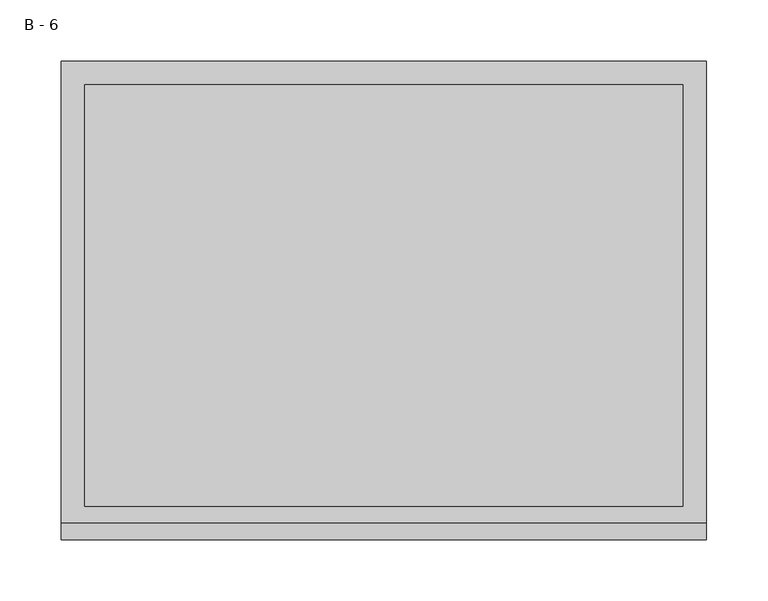
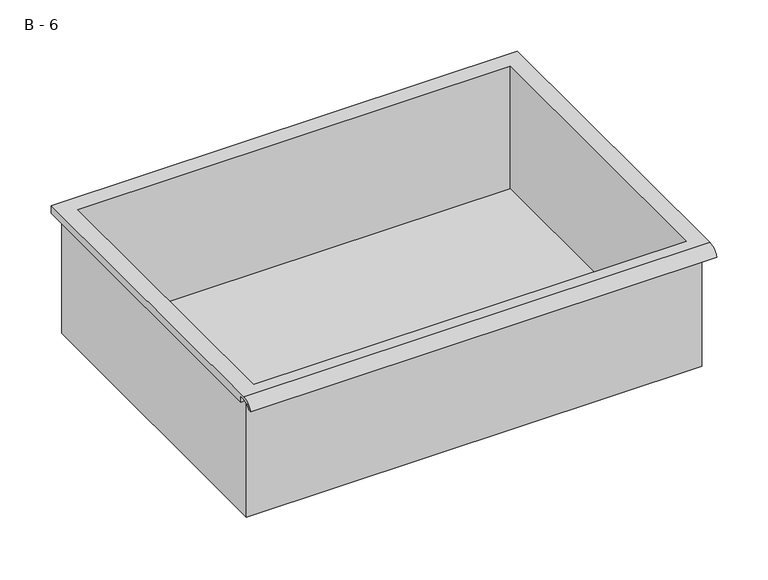
"""IFC4 building model written with IfcOpenShell, lengths in millimetres: furniture geometry, B - 6."""

import ifcopenshell
import ifcopenshell.guid

model = None  # the IFC model being written
_history = None  # IfcOwnerHistory: only IFC2X3 demands one
_inside = {}  # id of a spatial element -> (the spatial element, [elements in it])
_under = {}  # id of a project, library or spatial element -> (it, [spatial elements below it])
_declared = {}  # id of a project -> (the project, [libraries it declares])
_typed = {}  # id of a type object -> (the type object, [elements of that type])
_made_of = {}  # id of a material, layer set ... -> (it, [elements and type objects made of it])


def new_model(schema):
    """Start an empty IFC model of exactly this schema.

    Asked for "IFC4X3", IfcOpenShell would pick the latest addendum, in which some entities
    have other attributes; the version numbers below select the first issue.
    IFC2X3 requires an IfcOwnerHistory on every rooted entity: one is made here for all.
    """
    global model, _history
    if schema == "IFC4X3":
        model = ifcopenshell.file(schema_version=(4, 3, 0, 0))
    else:
        model = ifcopenshell.file(schema=schema)
    _inside.clear()
    _under.clear()
    _declared.clear()
    _typed.clear()
    _made_of.clear()
    _history = None
    if model.schema == "IFC2X3":
        org = make("IfcOrganization", Name="unknown")
        user = make(
            "IfcPersonAndOrganization",
            ThePerson=make("IfcPerson", FamilyName="unknown"),
            TheOrganization=org,
        )
        app = make(
            "IfcApplication",
            ApplicationDeveloper=org,
            Version="unknown",
            ApplicationFullName="unknown",
            ApplicationIdentifier="unknown",
        )
        _history = make(
            "IfcOwnerHistory",
            OwningUser=user,
            OwningApplication=app,
            ChangeAction="ADDED",
            CreationDate=0,
        )
    return model


def make(cls, **values):
    """One entity of the class cls with the attributes given. An attribute that is None is left unset."""
    return model.create_entity(
        cls, **{name: value for name, value in values.items() if value is not None}
    )


def rooted(cls, **values):
    """An entity with a GlobalId (a new one), such as an element, a storey or a relation."""
    return make(cls, GlobalId=ifcopenshell.guid.new(), OwnerHistory=_history, **values)


def si_unit(unit_type, name, prefix=None):
    """IfcSIUnit, for example si_unit("LENGTHUNIT", "METRE", prefix="MILLI")."""
    return make("IfcSIUnit", UnitType=unit_type, Prefix=prefix, Name=name)


def assignment(units):
    """IfcUnitAssignment: the units of a project."""
    return None if units is None else make("IfcUnitAssignment", Units=units)


def point(xyz):
    """IfcCartesianPoint."""
    return None if xyz is None else make("IfcCartesianPoint", Coordinates=xyz)


def direction(xyz):
    """IfcDirection."""
    return None if xyz is None else make("IfcDirection", DirectionRatios=xyz)


def frame(location, z_axis=None, x_axis=None):
    """IfcAxis2Placement3D, a coordinate frame: its origin and axes. An axis left out is left unset."""
    return make(
        "IfcAxis2Placement3D",
        Location=point(location),
        Axis=direction(z_axis),
        RefDirection=direction(x_axis),
    )


def origin():
    """The frame at (0, 0, 0) with its axes left unset."""
    return frame((0.0, 0.0, 0.0))


def place(relative_to, where):
    """IfcLocalPlacement: puts the frame where relative to a parent placement (None: the world)."""
    return make(
        "IfcLocalPlacement", PlacementRelTo=relative_to, RelativePlacement=where
    )


def context(
    kind, dimensions, precision=None, world=None, true_north=None, identifier=None
):
    """IfcGeometricRepresentationContext, for example the 3D "Model" context."""
    return make(
        "IfcGeometricRepresentationContext",
        ContextIdentifier=identifier,
        ContextType=kind,
        CoordinateSpaceDimension=dimensions,
        Precision=precision,
        WorldCoordinateSystem=world,
        TrueNorth=true_north,
    )


def project(units=None, contexts=None):
    """IfcProject with its units and contexts."""
    return rooted(
        "IfcProject",
        Name="project",
        RepresentationContexts=contexts,
        UnitsInContext=assignment(units),
    )


def spatial(cls, under=None, at=None, **own):
    """A site, building, storey or space (cls), placed at a placement, below another one or the project."""
    s = rooted(cls, ObjectPlacement=at, **own)
    if under is not None:
        _under.setdefault(under.id(), (under, []))[1].append(s)
    return s


def polyline(points):
    """IfcPolyline through the points."""
    return make("IfcPolyline", Points=[point(p) for p in points])


def circle_curve(where, radius):
    """IfcCircle in the frame where."""
    return make("IfcCircle", Position=where, Radius=radius)


def shape(context_of_items, identifier, shape_type, items):
    """IfcShapeRepresentation: the items that make up one representation, for example the "Body"."""
    return make(
        "IfcShapeRepresentation",
        ContextOfItems=context_of_items,
        RepresentationIdentifier=identifier,
        RepresentationType=shape_type,
        Items=items,
    )


def source(mapping_origin, context_of_items, identifier, shape_type, items):
    """IfcRepresentationMap: a shape defined once, which mapped items show again and again."""
    return make(
        "IfcRepresentationMap",
        MappingOrigin=mapping_origin,
        MappedRepresentation=shape(context_of_items, identifier, shape_type, items),
    )


def transform(
    local_origin,
    x_axis=None,
    y_axis=None,
    z_axis=None,
    scale=None,
    scale2=None,
    scale3=None,
    uniform=True,
):
    """IfcCartesianTransformationOperator3D, or its non-uniform kind. x_axis, y_axis, z_axis: its Axis1, 2, 3."""
    if uniform:
        return make(
            "IfcCartesianTransformationOperator3D",
            Axis1=direction(x_axis),
            Axis2=direction(y_axis),
            LocalOrigin=point(local_origin),
            Scale=scale,
            Axis3=direction(z_axis),
        )
    return make(
        "IfcCartesianTransformationOperator3DnonUniform",
        Axis1=direction(x_axis),
        Axis2=direction(y_axis),
        LocalOrigin=point(local_origin),
        Scale=scale,
        Axis3=direction(z_axis),
        Scale2=scale2,
        Scale3=scale3,
    )


def mapped(mapping_source, mapping_target):
    """IfcMappedItem: shows the shape of a source again, moved by a transform."""
    return make(
        "IfcMappedItem", MappingSource=mapping_source, MappingTarget=mapping_target
    )


def made_of(thing, what):
    """Note that an element or type object is made of a material, layer set ...; save() writes the relation."""
    if what is not None:
        _made_of.setdefault(what.id(), (what, []))[1].append(thing)
    return thing


def element(
    cls,
    number,
    at=None,
    inside=None,
    cuts=None,
    type_object=None,
    material=None,
    context=None,
    identifier="Body",
    shape_type=None,
    held_by="IfcProductDefinitionShape",
    body=None,
    shapes=None,
    **own,
):
    """One element of the class cls, such as IfcWall. Its Tag is "e" and its number.

    at: its placement. inside: the storey or other place that contains it. cuts: it is an
    opening in that element (IfcRelVoidsElement). A single representation is given by context,
    identifier, shape_type and body (its items); several are given by shapes. held_by: the class
    of the entity that holds the representations. save() writes the other relations.
    """
    e = rooted(cls, Tag="e%d" % number, ObjectPlacement=at, **own)
    if body is not None:
        shapes = [shape(context, identifier, shape_type, body)]
    if shapes is not None:
        e.Representation = make(held_by, Representations=shapes)
    if inside is not None:
        _inside.setdefault(inside.id(), (inside, []))[1].append(e)
    if cuts is not None:
        rooted(
            "IfcRelVoidsElement", RelatingBuildingElement=cuts, RelatedOpeningElement=e
        )
    if type_object is not None:
        _typed.setdefault(type_object.id(), (type_object, []))[1].append(e)
    return made_of(e, material)


def aggregate(whole, parts):
    """IfcRelAggregates: a whole, such as a stair, and the parts it consists of."""
    return rooted("IfcRelAggregates", RelatingObject=whole, RelatedObjects=parts)


def save(model, path):
    """Write the relations noted so far, then the file.

    IfcRelAggregates (storeys below a building ...), IfcRelContainedInSpatialStructure (elements
    in a storey), IfcRelDefinesByType, IfcRelAssociatesMaterial and IfcRelDeclares: one each for
    every whole, place, type object, material and project.
    """
    for whole, parts in _under.values():
        aggregate(whole, parts)
    for where, things in _inside.values():
        rooted(
            "IfcRelContainedInSpatialStructure",
            RelatedElements=things,
            RelatingStructure=where,
        )
    for kind, things in _typed.values():
        rooted("IfcRelDefinesByType", RelatedObjects=things, RelatingType=kind)
    for what, things in _made_of.values():
        rooted("IfcRelAssociatesMaterial", RelatedObjects=things, RelatingMaterial=what)
    for by, libraries in _declared.values():
        rooted("IfcRelDeclares", RelatingContext=by, RelatedDefinitions=libraries)
    model.write(path)


def plane_surface(at):
    """IfcPlane: the flat surface through the origin of the frame at, square to its z axis."""
    return make("IfcPlane", Position=at)


def cylinder_surface(at, radius):
    """IfcCylindricalSurface: all points at the distance radius from the z axis of the frame at."""
    return make("IfcCylindricalSurface", Position=at, Radius=radius)


def revolved_surface(curve, axis_point, axis_direction):
    """IfcSurfaceOfRevolution: the curve turned about the line through axis_point along axis_direction."""
    return make(
        "IfcSurfaceOfRevolution",
        SweptCurve=make("IfcArbitraryOpenProfileDef", ProfileType="CURVE", Curve=curve),
        AxisPosition=make("IfcAxis1Placement", Location=point(axis_point), Axis=direction(axis_direction)),
    )


def advanced_brep(points, edges, surfaces, faces):
    """IfcAdvancedBrep: a solid bounded by faces that lie on surfaces and meet in shared edges.

    An edge is (start, end): straight between two places in points (the first is 0);
    or (start, end, curve); or (start, end, curve, False) where it runs against its curve.
    A face is (place in surfaces, loops), or (place, loops, False) where it looks against
    its surface's normal. A loop lists edges by number (the first is 1), with a minus sign
    where the edge is run from its end to its start. The first loop is the outer one.
    """
    corners = [point(p) for p in points]
    vertices = [make("IfcVertexPoint", VertexGeometry=c) for c in corners]
    made = []
    for start, end, *more in edges:
        made.append(
            make(
                "IfcEdgeCurve",
                EdgeStart=vertices[start],
                EdgeEnd=vertices[end],
                EdgeGeometry=more[0] if more else make("IfcPolyline", Points=[corners[start], corners[end]]),
                SameSense=more[1] if len(more) > 1 else True,
            )
        )
    hull = []
    for where, loops, *sense in faces:
        bounds = []
        for j, loop in enumerate(loops):
            ring = [make("IfcOrientedEdge", EdgeElement=made[abs(k) - 1], Orientation=k > 0) for k in loop]
            bounds.append(
                make(
                    "IfcFaceOuterBound" if j == 0 else "IfcFaceBound",
                    Bound=make("IfcEdgeLoop", EdgeList=ring),
                    Orientation=True,
                )
            )
        hull.append(make("IfcAdvancedFace", Bounds=bounds, FaceSurface=surfaces[where], SameSense=sense[0] if sense else True))
    return make("IfcAdvancedBrep", Outer=make("IfcClosedShell", CfsFaces=hull))


def b_6_4ba1b07e(model_context):
    return source(origin(), model_context, "Body", "AdvancedBrep", [
        advanced_brep(
        [(-257.1076517, -176.2125, 171.1579), (257.2423483, -176.2125, 171.1579), (257.2423483, -176.2125, 310.8579), (263.5923483, -176.2125, 310.8579), (263.5923483, -176.2125, 317.1650341), (-263.4576517, -176.2125, 317.1650341), (-263.4576517, -176.2125, 310.8579), (-257.1076517, -176.2125, 310.8579), (257.2423483, 185.7375, 171.1579), (-257.1076517, 185.7375, 171.1579), (-257.1076517, 185.7375, 310.8579), (257.2423483, 185.7375, 310.8579), (263.5923483, -181.6070544, 320.3829), (263.5923483, 195.2625, 320.3829), (-263.4576517, 195.2625, 320.3829), (-263.4576517, -181.6070544, 320.3829), (244.5423483, -168.275, 320.3829), (-244.4076517, -168.275, 320.3829), (-244.4076517, 176.2125, 320.3829), (244.5423483, 176.2125, 320.3829), (263.5923483, -195.2625, 310.8579), (263.5923483, -191.8280601, 310.8579), (263.5923483, -180.4714815, 317.1650341), (263.5923483, 195.2625, 310.8579), (-263.4576517, 195.2625, 310.8579), (-263.4576517, -180.4714815, 317.1650341), (-263.4576517, -191.8280601, 310.8579), (-263.4576517, -195.2625, 310.8579), (-244.4076517, -168.275, 174.1840719), (244.5423483, -168.275, 174.1840719), (244.5423483, 176.2125, 174.1840719), (-244.4076517, 176.2125, 174.1840719)],
        [
            (0, 1),
            (1, 2),
            (2, 3),
            (3, 4),
            (4, 5),
            (5, 6),
            (6, 7),
            (7, 0),
            (8, 9),
            (9, 10),
            (10, 11),
            (11, 8),
            (0, 9),
            (8, 1),
            (11, 2),
            (12, 13),
            (13, 14),
            (14, 15),
            (15, 12),
            (16, 17),
            (17, 18),
            (18, 19),
            (19, 16),
            (7, 10),
            (12, 20, circle_curve(frame((263.5923483, -181.6070544, 305.8318859), z_axis=(1.0, 0.0, 0.0), x_axis=(0.0, 1.0, 0.0)), 14.5510141)),
            (20, 21),
            (21, 22, circle_curve(frame((263.5923483, -181.6070544, 305.8318859), z_axis=(-1.0, 0.0, 0.0), x_axis=(0.0, 1.0, 0.0)), 11.3898979)),
            (22, 4),
            (3, 23),
            (23, 13),
            (14, 24),
            (24, 6),
            (5, 25),
            (25, 26, circle_curve(frame((-263.4576517, -181.6070544, 305.8318859), z_axis=(1.0, 0.0, 0.0), x_axis=(0.0, 1.0, 0.0)), 11.3898979)),
            (26, 27),
            (27, 15, circle_curve(frame((-263.4576517, -181.6070544, 305.8318859), z_axis=(-1.0, 0.0, 0.0), x_axis=(0.0, 1.0, 0.0)), 14.5510141)),
            (27, 20),
            (26, 21),
            (25, 22),
            (24, 23),
            (28, 29),
            (29, 30),
            (30, 31),
            (31, 28),
            (28, 17),
            (16, 29),
            (19, 30),
            (18, 31),
        ],
        [
            plane_surface(frame((257.2423483, -176.2125, 171.1579), z_axis=(0.0, -1.0, 0.0), x_axis=(1.0, 0.0, 0.0))),
            plane_surface(frame((257.2423483, 185.7375, 171.1579), z_axis=(0.0, 1.0, 0.0), x_axis=(-1.0, 0.0, 0.0))),
            plane_surface(frame((-257.1076517, -176.2125, 171.1579), z_axis=(0.0, 0.0, -1.0), x_axis=(0.0, 1.0, 0.0))),
            plane_surface(frame((257.2423483, -176.2125, 171.1579), z_axis=(1.0, 0.0, 0.0), x_axis=(0.0, 1.0, 0.0))),
            plane_surface(frame((257.2423483, -176.2125, 320.3829), z_axis=(0.0, 0.0, 1.0), x_axis=(0.0, 1.0, 0.0))),
            plane_surface(frame((-257.1076517, -176.2125, 320.3829), z_axis=(-1.0, 0.0, 0.0), x_axis=(0.0, 1.0, 0.0))),
            plane_surface(frame((263.5923483, 195.2625, 320.3829), z_axis=(1.0, 0.0, 0.0), x_axis=(0.0, -1.0, 0.0))),
            plane_surface(frame((-263.4576517, 195.2625, 320.3829), z_axis=(-1.0, 0.0, 0.0), x_axis=(0.0, 1.0, 0.0))),
            cylinder_surface(frame((-263.4576517, -181.6070544, 305.8318859), z_axis=(1.0, 0.0, 0.0), x_axis=(0.0, 1.0, 0.0)), 14.5510141),
            plane_surface(frame((263.5923483, -195.2625, 310.8579), z_axis=(0.0, -7.291233251776568e-12, -1.0), x_axis=(-1.0, 0.0, 0.0))),
            revolved_surface(polyline([(-263.4576517, -170.21715650000002, 305.8318859), (263.59234829999997, -170.21715650000002, 305.8318859)]), (-263.4576517, -181.6070544, 305.8318859), (-1.0, 0.0, 0.0)),
            plane_surface(frame((263.5923483, -180.4714815, 317.1650341), z_axis=(0.0, -1.8052101476963113e-11, -1.0), x_axis=(-1.0, 0.0, 0.0))),
            plane_surface(frame((263.5923483, -176.2125, 310.8579), z_axis=(0.0, 0.0, -1.0), x_axis=(-1.0, 0.0, 0.0))),
            plane_surface(frame((263.5923483, 195.2625, 310.8579), z_axis=(0.0, 1.0, 0.0), x_axis=(-1.0, 0.0, 0.0))),
            plane_surface(frame((244.5423483, -168.275, 174.1840719), z_axis=(0.0, 0.0, 1.0), x_axis=(-1.0, 0.0, 0.0))),
            plane_surface(frame((-244.4076517, -168.275, 320.3829), z_axis=(0.0, 1.0, 0.0), x_axis=(0.0, 0.0, -1.0))),
            plane_surface(frame((244.5423483, -168.275, 320.3829), z_axis=(-1.0, 0.0, 0.0), x_axis=(0.0, 0.0, -1.0))),
            plane_surface(frame((244.5423483, 176.2125, 320.3829), z_axis=(0.0, -1.0, 0.0), x_axis=(0.0, 0.0, -1.0))),
            plane_surface(frame((-244.4076517, 176.2125, 320.3829), z_axis=(1.0, 0.0, 0.0), x_axis=(0.0, 0.0, -1.0))),
        ],
        [
            (0, [[1, 2, 3, 4, 5, 6, 7, 8]]),
            (1, [[9, 10, 11, 12]]),
            (2, [[-1, 13, -9, 14]]),
            (3, [[-14, -12, 15, -2]]),
            (4, [[16, 17, 18, 19], [20, 21, 22, 23]]),
            (5, [[-13, -8, 24, -10]]),
            (6, [[-16, 25, 26, 27, 28, -4, 29, 30]]),
            (7, [[31, 32, -6, 33, 34, 35, 36, -18]]),
            (8, [[-25, -19, -36, 37]]),
            (9, [[-26, -37, -35, 38]]),
            (10, [[-27, -38, -34, 39]]),
            (11, [[-28, -39, -33, -5]]),
            (12, [[-29, -3, -15, -11, -24, -7, -32, 40]]),
            (13, [[-30, -40, -31, -17]]),
            (14, [[41, 42, 43, 44]]),
            (15, [[-41, 45, -20, 46]]),
            (16, [[-42, -46, -23, 47]]),
            (17, [[-43, -47, -22, 48]]),
            (18, [[-44, -48, -21, -45]]),
        ],
    ),
    ])


if __name__ == "__main__":
    model = new_model("IFC4")
    model_context = context("Model", 3, world=origin())
    ifc_project = project(units=[si_unit("LENGTHUNIT", "METRE", prefix="MILLI")], contexts=[model_context])
    site = spatial("IfcSite", under=ifc_project)
    building = spatial("IfcBuilding", under=site)
    placement = place(None, origin())
    b_6_shape = b_6_4ba1b07e(model_context)
    element("IfcFurniture", 1, ObjectType="B - 6", at=placement, inside=building, context=model_context, shape_type="MappedRepresentation", body=[
        mapped(b_6_shape, transform((0.0, 0.0, 0.0), x_axis=(1.0, 0.0, 0.0), y_axis=(0.0, 1.0, 0.0), z_axis=(0.0, 0.0, 1.0))),
    ])
    save(model, "model.ifc")
